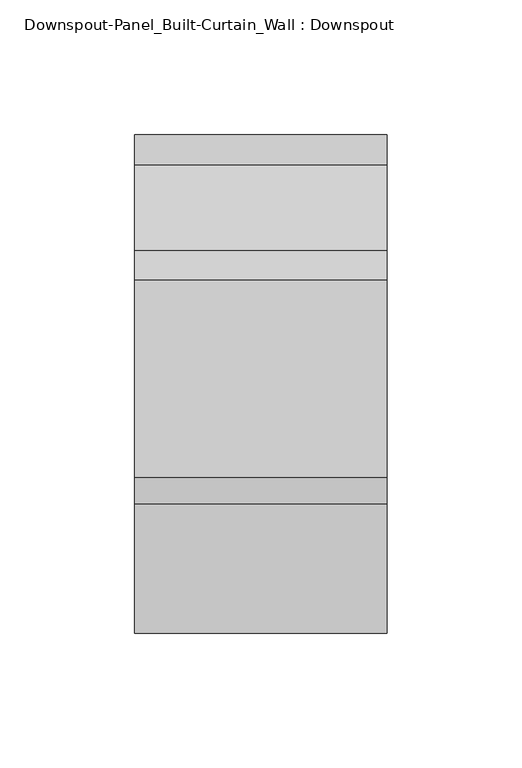
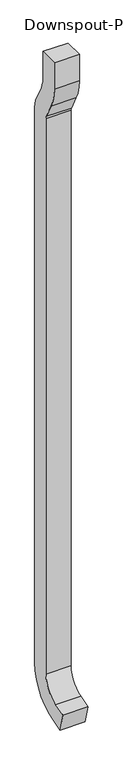
"""IFC4 building model written with IfcOpenShell, lengths in millimetres: flow terminal geometry, Downspout-Panel_Built-Curtain_Wall : Downspout."""

from ifc_helpers import new_model, si_unit, point, frame, frame_2d, origin, place, context, project, spatial, polyline, circle_curve, trimmed, segment, composite_curve, outline, extrude, source, transform, mapped, element, save


def downspout_panel_built_curtain_wall_downspout_4730a0f3(model_context):
    return source(origin(), model_context, "Body", "SweptSolid", [
        extrude(outline(composite_curve([segment(polyline([(-165.531385, 0.0), (-184.4316458, 70.5367335), (-136.5627374, 83.3631688)]), True, "CONTINUOUS"), segment(trimmed(circle_curve(frame_2d((-158.75, 166.1671603)), 85.725), [point((-136.5627374, 83.3631688))], [point((-73.025, 166.1671603))], True, "CARTESIAN"), True, "CONTINUOUS"), segment(polyline([(-73.025, 166.1671603), (-73.025, 2363.3819906)]), True, "CONTINUOUS"), segment(trimmed(circle_curve(frame_2d((-95.25, 2363.3819906)), 22.225), [point((-73.025, 2363.3819906))], [point((-75.6264897, 2373.815996))], True, "CARTESIAN"), True, "CONTINUOUS"), segment(polyline([(-75.6264897, 2373.815996), (-107.3038334, 2433.3924146)]), True, "CONTINUOUS"), segment(trimmed(circle_curve(frame_2d((41.2741728, 2512.3927418)), 168.275), [point((-107.3038334, 2433.3924146))], [point((-127.0008272, 2512.3927418))], False, "CARTESIAN"), True, "CONTINUOUS"), segment(polyline([(-127.0008272, 2512.3927418), (-127.0008272, 2617.2668), (-53.9758272, 2617.2668), (-53.9758272, 2512.3927418)]), True, "CONTINUOUS"), segment(trimmed(circle_curve(frame_2d((41.2741728, 2512.3927418)), 95.25), [point((-53.9758272, 2512.3927418))], [point((-42.8265854, 2467.6755754))], True, "CARTESIAN"), True, "CONTINUOUS"), segment(polyline([(-42.8265854, 2467.6755754), (-11.1492418, 2408.0991569)]), True, "CONTINUOUS"), segment(trimmed(circle_curve(frame_2d((-95.25, 2363.3819906)), 95.25), [point((-11.1492418, 2408.0991569))], [point((0.0, 2363.3819906))], False, "CARTESIAN"), True, "CONTINUOUS"), segment(polyline([(0.0, 2363.3819906), (0.0, 166.1671603)]), True, "CONTINUOUS"), segment(trimmed(circle_curve(frame_2d((-158.75, 166.1671603)), 158.75), [point((0.0, 166.1671603))], [point((-117.6624766, 12.8264354))], False, "CARTESIAN"), True, "CONTINUOUS"), segment(polyline([(-117.6624766, 12.8264354), (-165.531385, 0.0)]), True, "CONTINUOUS")], self_intersect=False)), frame((-46.83125, 0.0, 0.0), z_axis=(1.0, 0.0, 0.0), x_axis=(0.0, 1.0, 0.0)), (0.0, 0.0, 1.0), 93.6625),
    ])


if __name__ == "__main__":
    model = new_model("IFC4")
    model_context = context("Model", 3, world=origin())
    ifc_project = project(units=[si_unit("LENGTHUNIT", "METRE", prefix="MILLI")], contexts=[model_context])
    site = spatial("IfcSite", under=ifc_project)
    building = spatial("IfcBuilding", under=site)
    placement = place(None, origin())
    downspout_panel_built_curtain_wall_downspout_shape = downspout_panel_built_curtain_wall_downspout_4730a0f3(model_context)
    element("IfcFlowTerminal", 1, ObjectType="Downspout-Panel_Built-Curtain_Wall : Downspout", at=placement, inside=building, context=model_context, shape_type="MappedRepresentation", body=[
        mapped(downspout_panel_built_curtain_wall_downspout_shape, transform((0.0, 0.0, 0.0), x_axis=(1.0, 0.0, 0.0), y_axis=(0.0, 1.0, 0.0), z_axis=(0.0, 0.0, 1.0))),
    ])
    save(model, "model.ifc")
